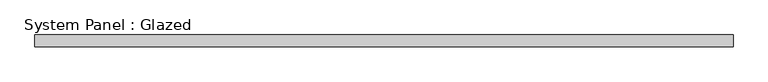
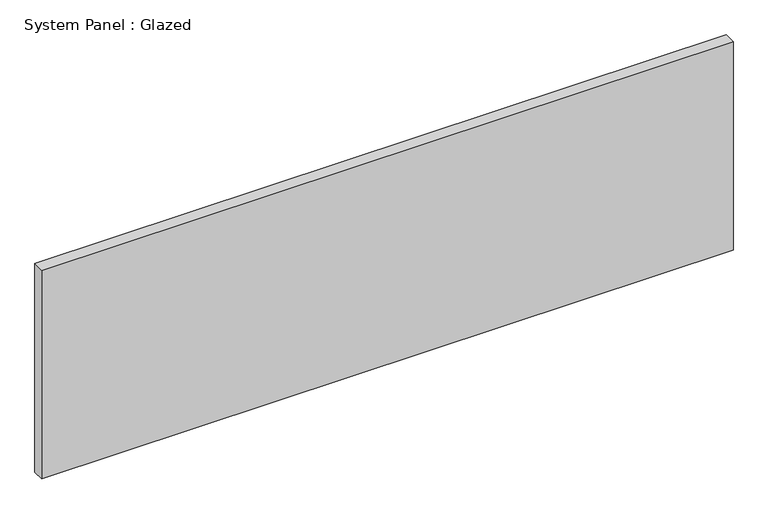
"""IFC4 building model written with IfcOpenShell, lengths in millimetres: plate geometry, System Panel : Glazed."""

import ifcopenshell
import ifcopenshell.guid

model = None  # the IFC model being written
_history = None  # IfcOwnerHistory: only IFC2X3 demands one
_inside = {}  # id of a spatial element -> (the spatial element, [elements in it])
_under = {}  # id of a project, library or spatial element -> (it, [spatial elements below it])
_declared = {}  # id of a project -> (the project, [libraries it declares])
_typed = {}  # id of a type object -> (the type object, [elements of that type])
_made_of = {}  # id of a material, layer set ... -> (it, [elements and type objects made of it])


def new_model(schema):
    """Start an empty IFC model of exactly this schema.

    Asked for "IFC4X3", IfcOpenShell would pick the latest addendum, in which some entities
    have other attributes; the version numbers below select the first issue.
    IFC2X3 requires an IfcOwnerHistory on every rooted entity: one is made here for all.
    """
    global model, _history
    if schema == "IFC4X3":
        model = ifcopenshell.file(schema_version=(4, 3, 0, 0))
    else:
        model = ifcopenshell.file(schema=schema)
    _inside.clear()
    _under.clear()
    _declared.clear()
    _typed.clear()
    _made_of.clear()
    _history = None
    if model.schema == "IFC2X3":
        org = make("IfcOrganization", Name="unknown")
        user = make(
            "IfcPersonAndOrganization",
            ThePerson=make("IfcPerson", FamilyName="unknown"),
            TheOrganization=org,
        )
        app = make(
            "IfcApplication",
            ApplicationDeveloper=org,
            Version="unknown",
            ApplicationFullName="unknown",
            ApplicationIdentifier="unknown",
        )
        _history = make(
            "IfcOwnerHistory",
            OwningUser=user,
            OwningApplication=app,
            ChangeAction="ADDED",
            CreationDate=0,
        )
    return model


def make(cls, **values):
    """One entity of the class cls with the attributes given. An attribute that is None is left unset."""
    return model.create_entity(
        cls, **{name: value for name, value in values.items() if value is not None}
    )


def rooted(cls, **values):
    """An entity with a GlobalId (a new one), such as an element, a storey or a relation."""
    return make(cls, GlobalId=ifcopenshell.guid.new(), OwnerHistory=_history, **values)


def si_unit(unit_type, name, prefix=None):
    """IfcSIUnit, for example si_unit("LENGTHUNIT", "METRE", prefix="MILLI")."""
    return make("IfcSIUnit", UnitType=unit_type, Prefix=prefix, Name=name)


def assignment(units):
    """IfcUnitAssignment: the units of a project."""
    return None if units is None else make("IfcUnitAssignment", Units=units)


def point(xyz):
    """IfcCartesianPoint."""
    return None if xyz is None else make("IfcCartesianPoint", Coordinates=xyz)


def direction(xyz):
    """IfcDirection."""
    return None if xyz is None else make("IfcDirection", DirectionRatios=xyz)


def frame(location, z_axis=None, x_axis=None):
    """IfcAxis2Placement3D, a coordinate frame: its origin and axes. An axis left out is left unset."""
    return make(
        "IfcAxis2Placement3D",
        Location=point(location),
        Axis=direction(z_axis),
        RefDirection=direction(x_axis),
    )


def origin():
    """The frame at (0, 0, 0) with its axes left unset."""
    return frame((0.0, 0.0, 0.0))


def origin_with_axes():
    """The frame at (0, 0, 0) with the z axis (0, 0, 1) and the x axis (1, 0, 0) written out."""
    return frame((0.0, 0.0, 0.0), z_axis=(0.0, 0.0, 1.0), x_axis=(1.0, 0.0, 0.0))


def place(relative_to, where):
    """IfcLocalPlacement: puts the frame where relative to a parent placement (None: the world)."""
    return make(
        "IfcLocalPlacement", PlacementRelTo=relative_to, RelativePlacement=where
    )


def context(
    kind, dimensions, precision=None, world=None, true_north=None, identifier=None
):
    """IfcGeometricRepresentationContext, for example the 3D "Model" context."""
    return make(
        "IfcGeometricRepresentationContext",
        ContextIdentifier=identifier,
        ContextType=kind,
        CoordinateSpaceDimension=dimensions,
        Precision=precision,
        WorldCoordinateSystem=world,
        TrueNorth=true_north,
    )


def project(units=None, contexts=None):
    """IfcProject with its units and contexts."""
    return rooted(
        "IfcProject",
        Name="project",
        RepresentationContexts=contexts,
        UnitsInContext=assignment(units),
    )


def spatial(cls, under=None, at=None, **own):
    """A site, building, storey or space (cls), placed at a placement, below another one or the project."""
    s = rooted(cls, ObjectPlacement=at, **own)
    if under is not None:
        _under.setdefault(under.id(), (under, []))[1].append(s)
    return s


def polyline(points):
    """IfcPolyline through the points."""
    return make("IfcPolyline", Points=[point(p) for p in points])


def outline(outer, holes=None, kind="AREA"):
    """IfcArbitraryClosedProfileDef: a profile drawn as a closed curve; with holes, ...WithVoids."""
    if holes is None:
        return make("IfcArbitraryClosedProfileDef", ProfileType=kind, OuterCurve=outer)
    return make(
        "IfcArbitraryProfileDefWithVoids",
        ProfileType=kind,
        OuterCurve=outer,
        InnerCurves=holes,
    )


def extrude(swept, where, along, depth):
    """IfcExtrudedAreaSolid: the profile swept, set in the frame where, extruded along a direction by depth."""
    return make(
        "IfcExtrudedAreaSolid",
        SweptArea=swept,
        Position=where,
        ExtrudedDirection=direction(along),
        Depth=depth,
    )


def shape(context_of_items, identifier, shape_type, items):
    """IfcShapeRepresentation: the items that make up one representation, for example the "Body"."""
    return make(
        "IfcShapeRepresentation",
        ContextOfItems=context_of_items,
        RepresentationIdentifier=identifier,
        RepresentationType=shape_type,
        Items=items,
    )


def source(mapping_origin, context_of_items, identifier, shape_type, items):
    """IfcRepresentationMap: a shape defined once, which mapped items show again and again."""
    return make(
        "IfcRepresentationMap",
        MappingOrigin=mapping_origin,
        MappedRepresentation=shape(context_of_items, identifier, shape_type, items),
    )


def transform(
    local_origin,
    x_axis=None,
    y_axis=None,
    z_axis=None,
    scale=None,
    scale2=None,
    scale3=None,
    uniform=True,
):
    """IfcCartesianTransformationOperator3D, or its non-uniform kind. x_axis, y_axis, z_axis: its Axis1, 2, 3."""
    if uniform:
        return make(
            "IfcCartesianTransformationOperator3D",
            Axis1=direction(x_axis),
            Axis2=direction(y_axis),
            LocalOrigin=point(local_origin),
            Scale=scale,
            Axis3=direction(z_axis),
        )
    return make(
        "IfcCartesianTransformationOperator3DnonUniform",
        Axis1=direction(x_axis),
        Axis2=direction(y_axis),
        LocalOrigin=point(local_origin),
        Scale=scale,
        Axis3=direction(z_axis),
        Scale2=scale2,
        Scale3=scale3,
    )


def mapped(mapping_source, mapping_target):
    """IfcMappedItem: shows the shape of a source again, moved by a transform."""
    return make(
        "IfcMappedItem", MappingSource=mapping_source, MappingTarget=mapping_target
    )


def made_of(thing, what):
    """Note that an element or type object is made of a material, layer set ...; save() writes the relation."""
    if what is not None:
        _made_of.setdefault(what.id(), (what, []))[1].append(thing)
    return thing


def element(
    cls,
    number,
    at=None,
    inside=None,
    cuts=None,
    type_object=None,
    material=None,
    context=None,
    identifier="Body",
    shape_type=None,
    held_by="IfcProductDefinitionShape",
    body=None,
    shapes=None,
    **own,
):
    """One element of the class cls, such as IfcWall. Its Tag is "e" and its number.

    at: its placement. inside: the storey or other place that contains it. cuts: it is an
    opening in that element (IfcRelVoidsElement). A single representation is given by context,
    identifier, shape_type and body (its items); several are given by shapes. held_by: the class
    of the entity that holds the representations. save() writes the other relations.
    """
    e = rooted(cls, Tag="e%d" % number, ObjectPlacement=at, **own)
    if body is not None:
        shapes = [shape(context, identifier, shape_type, body)]
    if shapes is not None:
        e.Representation = make(held_by, Representations=shapes)
    if inside is not None:
        _inside.setdefault(inside.id(), (inside, []))[1].append(e)
    if cuts is not None:
        rooted(
            "IfcRelVoidsElement", RelatingBuildingElement=cuts, RelatedOpeningElement=e
        )
    if type_object is not None:
        _typed.setdefault(type_object.id(), (type_object, []))[1].append(e)
    return made_of(e, material)


def aggregate(whole, parts):
    """IfcRelAggregates: a whole, such as a stair, and the parts it consists of."""
    return rooted("IfcRelAggregates", RelatingObject=whole, RelatedObjects=parts)


def save(model, path):
    """Write the relations noted so far, then the file.

    IfcRelAggregates (storeys below a building ...), IfcRelContainedInSpatialStructure (elements
    in a storey), IfcRelDefinesByType, IfcRelAssociatesMaterial and IfcRelDeclares: one each for
    every whole, place, type object, material and project.
    """
    for whole, parts in _under.values():
        aggregate(whole, parts)
    for where, things in _inside.values():
        rooted(
            "IfcRelContainedInSpatialStructure",
            RelatedElements=things,
            RelatingStructure=where,
        )
    for kind, things in _typed.values():
        rooted("IfcRelDefinesByType", RelatedObjects=things, RelatingType=kind)
    for what, things in _made_of.values():
        rooted("IfcRelAssociatesMaterial", RelatedObjects=things, RelatingMaterial=what)
    for by, libraries in _declared.values():
        rooted("IfcRelDeclares", RelatingContext=by, RelatedDefinitions=libraries)
    model.write(path)


def system_panel_glazed_88f9aad1(model_context):
    return source(origin(), model_context, "Body", "SweptSolid", [
        extrude(outline(polyline([(744.51256, 24.5), (-744.51256, 24.5), (-744.51256, 49.5), (744.51256, 49.5), (744.51256, 24.5)])), origin_with_axes(), (0.0, 0.0, 1.0), 475.0548808),
    ])


if __name__ == "__main__":
    model = new_model("IFC4")
    model_context = context("Model", 3, world=origin())
    ifc_project = project(units=[si_unit("LENGTHUNIT", "METRE", prefix="MILLI")], contexts=[model_context])
    site = spatial("IfcSite", under=ifc_project)
    building = spatial("IfcBuilding", under=site)
    placement = place(None, origin())
    system_panel_glazed_shape = system_panel_glazed_88f9aad1(model_context)
    element("IfcPlate", 1, ObjectType="System Panel : Glazed", at=placement, inside=building, context=model_context, shape_type="MappedRepresentation", body=[
        mapped(system_panel_glazed_shape, transform((0.0, 0.0, 0.0), x_axis=(1.0, 0.0, 0.0), y_axis=(0.0, 1.0, 0.0), z_axis=(0.0, 0.0, 1.0))),
    ])
    save(model, "model.ifc")
